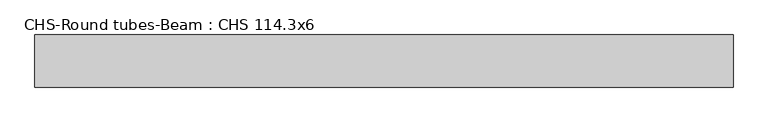
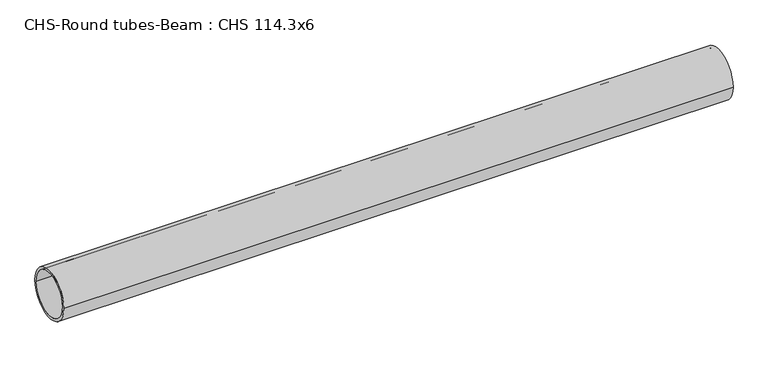
"""IFC4 building model written with IfcOpenShell, lengths in millimetres: beam geometry, CHS-Round tubes-Beam : CHS 114.3x6."""

from ifc_helpers import new_model, si_unit, point, frame, origin, origin_2d, place, context, project, spatial, circle_curve, trimmed, segment, composite_curve, outline, extrude, source, transform, mapped, element, save


def chs_round_tubes_beam_chs_114_3x6_aea92d69(model_context):
    return source(origin(), model_context, "Body", "SweptSolid", [
        extrude(outline(composite_curve([segment(trimmed(circle_curve(origin_2d(), 57.15), [point((57.15, 0.0))], [point((-57.15, 0.0))], False, "CARTESIAN"), True, "CONTINUOUS"), segment(trimmed(circle_curve(origin_2d(), 57.15), [point((-57.15, 0.0))], [point((57.15, 0.0))], False, "CARTESIAN"), True, "CONTINUOUS")], self_intersect=False), holes=[composite_curve([segment(trimmed(circle_curve(origin_2d(), 51.15), [point((51.15, 0.0))], [point((-51.15, 0.0))], True, "CARTESIAN"), True, "CONTINUOUS"), segment(trimmed(circle_curve(origin_2d(), 51.15), [point((-51.15, 0.0))], [point((51.15, 0.0))], True, "CARTESIAN"), True, "CONTINUOUS")], self_intersect=False)]), frame((-756.4167457, 0.0, 0.0), z_axis=(1.0, 0.0, 0.0), x_axis=(0.0, 1.0, 0.0)), (0.0, 0.0, 1.0), 1531.0426726),
    ])


if __name__ == "__main__":
    model = new_model("IFC4")
    model_context = context("Model", 3, world=origin())
    ifc_project = project(units=[si_unit("LENGTHUNIT", "METRE", prefix="MILLI")], contexts=[model_context])
    site = spatial("IfcSite", under=ifc_project)
    building = spatial("IfcBuilding", under=site)
    placement = place(None, origin())
    chs_round_tubes_beam_chs_114_3x6_shape = chs_round_tubes_beam_chs_114_3x6_aea92d69(model_context)
    element("IfcBeam", 1, ObjectType="CHS-Round tubes-Beam : CHS 114.3x6", at=placement, inside=building, context=model_context, shape_type="MappedRepresentation", body=[
        mapped(chs_round_tubes_beam_chs_114_3x6_shape, transform((0.0, 0.0, 0.0), x_axis=(1.0, 0.0, 0.0), y_axis=(0.0, 1.0, 0.0), z_axis=(0.0, 0.0, 1.0))),
    ])
    save(model, "model.ifc")
